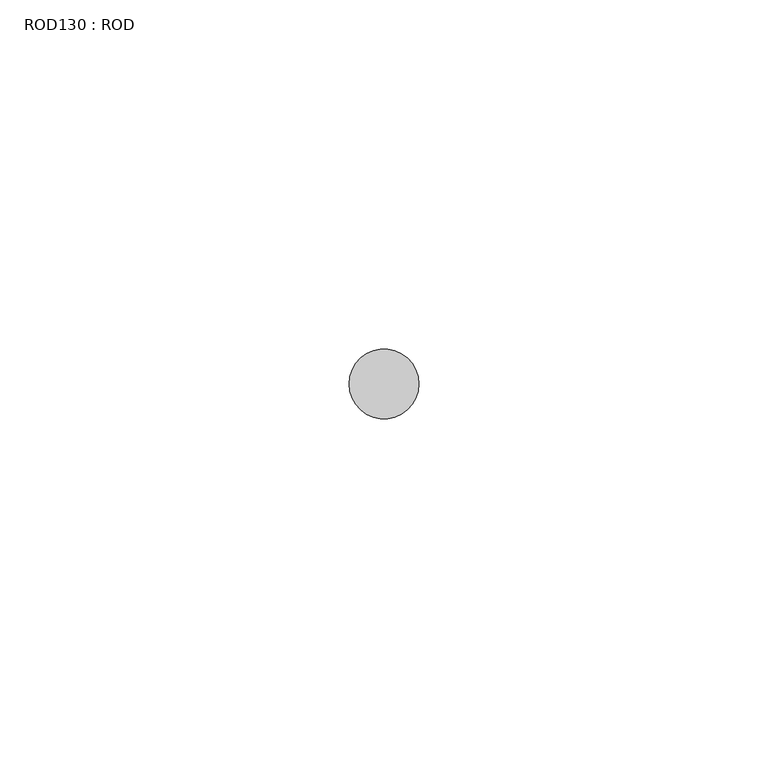
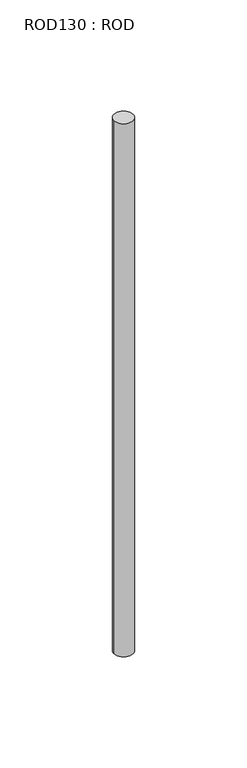
"""IFC4 building model written with IfcOpenShell, lengths in millimetres: proxy geometry, ROD130 : ROD."""

import ifcopenshell
import ifcopenshell.guid

model = None  # the IFC model being written
_history = None  # IfcOwnerHistory: only IFC2X3 demands one
_inside = {}  # id of a spatial element -> (the spatial element, [elements in it])
_under = {}  # id of a project, library or spatial element -> (it, [spatial elements below it])
_declared = {}  # id of a project -> (the project, [libraries it declares])
_typed = {}  # id of a type object -> (the type object, [elements of that type])
_made_of = {}  # id of a material, layer set ... -> (it, [elements and type objects made of it])


def new_model(schema):
    """Start an empty IFC model of exactly this schema.

    Asked for "IFC4X3", IfcOpenShell would pick the latest addendum, in which some entities
    have other attributes; the version numbers below select the first issue.
    IFC2X3 requires an IfcOwnerHistory on every rooted entity: one is made here for all.
    """
    global model, _history
    if schema == "IFC4X3":
        model = ifcopenshell.file(schema_version=(4, 3, 0, 0))
    else:
        model = ifcopenshell.file(schema=schema)
    _inside.clear()
    _under.clear()
    _declared.clear()
    _typed.clear()
    _made_of.clear()
    _history = None
    if model.schema == "IFC2X3":
        org = make("IfcOrganization", Name="unknown")
        user = make(
            "IfcPersonAndOrganization",
            ThePerson=make("IfcPerson", FamilyName="unknown"),
            TheOrganization=org,
        )
        app = make(
            "IfcApplication",
            ApplicationDeveloper=org,
            Version="unknown",
            ApplicationFullName="unknown",
            ApplicationIdentifier="unknown",
        )
        _history = make(
            "IfcOwnerHistory",
            OwningUser=user,
            OwningApplication=app,
            ChangeAction="ADDED",
            CreationDate=0,
        )
    return model


def make(cls, **values):
    """One entity of the class cls with the attributes given. An attribute that is None is left unset."""
    return model.create_entity(
        cls, **{name: value for name, value in values.items() if value is not None}
    )


def rooted(cls, **values):
    """An entity with a GlobalId (a new one), such as an element, a storey or a relation."""
    return make(cls, GlobalId=ifcopenshell.guid.new(), OwnerHistory=_history, **values)


def si_unit(unit_type, name, prefix=None):
    """IfcSIUnit, for example si_unit("LENGTHUNIT", "METRE", prefix="MILLI")."""
    return make("IfcSIUnit", UnitType=unit_type, Prefix=prefix, Name=name)


def assignment(units):
    """IfcUnitAssignment: the units of a project."""
    return None if units is None else make("IfcUnitAssignment", Units=units)


def point(xyz):
    """IfcCartesianPoint."""
    return None if xyz is None else make("IfcCartesianPoint", Coordinates=xyz)


def direction(xyz):
    """IfcDirection."""
    return None if xyz is None else make("IfcDirection", DirectionRatios=xyz)


def frame(location, z_axis=None, x_axis=None):
    """IfcAxis2Placement3D, a coordinate frame: its origin and axes. An axis left out is left unset."""
    return make(
        "IfcAxis2Placement3D",
        Location=point(location),
        Axis=direction(z_axis),
        RefDirection=direction(x_axis),
    )


def frame_2d(location, x_axis=None):
    """IfcAxis2Placement2D, a coordinate frame in the plane: its origin and x axis."""
    return make(
        "IfcAxis2Placement2D", Location=point(location), RefDirection=direction(x_axis)
    )


def origin():
    """The frame at (0, 0, 0) with its axes left unset."""
    return frame((0.0, 0.0, 0.0))


def place(relative_to, where):
    """IfcLocalPlacement: puts the frame where relative to a parent placement (None: the world)."""
    return make(
        "IfcLocalPlacement", PlacementRelTo=relative_to, RelativePlacement=where
    )


def context(
    kind, dimensions, precision=None, world=None, true_north=None, identifier=None
):
    """IfcGeometricRepresentationContext, for example the 3D "Model" context."""
    return make(
        "IfcGeometricRepresentationContext",
        ContextIdentifier=identifier,
        ContextType=kind,
        CoordinateSpaceDimension=dimensions,
        Precision=precision,
        WorldCoordinateSystem=world,
        TrueNorth=true_north,
    )


def project(units=None, contexts=None):
    """IfcProject with its units and contexts."""
    return rooted(
        "IfcProject",
        Name="project",
        RepresentationContexts=contexts,
        UnitsInContext=assignment(units),
    )


def spatial(cls, under=None, at=None, **own):
    """A site, building, storey or space (cls), placed at a placement, below another one or the project."""
    s = rooted(cls, ObjectPlacement=at, **own)
    if under is not None:
        _under.setdefault(under.id(), (under, []))[1].append(s)
    return s


def circle_curve(where, radius):
    """IfcCircle in the frame where."""
    return make("IfcCircle", Position=where, Radius=radius)


def trimmed(basis, trim1, trim2, sense, master):
    """IfcTrimmedCurve: the piece of a basis curve between two trims."""
    return make(
        "IfcTrimmedCurve",
        BasisCurve=basis,
        Trim1=trim1,
        Trim2=trim2,
        SenseAgreement=sense,
        MasterRepresentation=master,
    )


def segment(curve, same_sense, transition):
    """IfcCompositeCurveSegment."""
    return make(
        "IfcCompositeCurveSegment",
        Transition=transition,
        SameSense=same_sense,
        ParentCurve=curve,
    )


def composite_curve(segments, self_intersect=None):
    """IfcCompositeCurve: segments joined end to end."""
    return make("IfcCompositeCurve", Segments=segments, SelfIntersect=self_intersect)


def outline(outer, holes=None, kind="AREA"):
    """IfcArbitraryClosedProfileDef: a profile drawn as a closed curve; with holes, ...WithVoids."""
    if holes is None:
        return make("IfcArbitraryClosedProfileDef", ProfileType=kind, OuterCurve=outer)
    return make(
        "IfcArbitraryProfileDefWithVoids",
        ProfileType=kind,
        OuterCurve=outer,
        InnerCurves=holes,
    )


def extrude(swept, where, along, depth):
    """IfcExtrudedAreaSolid: the profile swept, set in the frame where, extruded along a direction by depth."""
    return make(
        "IfcExtrudedAreaSolid",
        SweptArea=swept,
        Position=where,
        ExtrudedDirection=direction(along),
        Depth=depth,
    )


def shape(context_of_items, identifier, shape_type, items):
    """IfcShapeRepresentation: the items that make up one representation, for example the "Body"."""
    return make(
        "IfcShapeRepresentation",
        ContextOfItems=context_of_items,
        RepresentationIdentifier=identifier,
        RepresentationType=shape_type,
        Items=items,
    )


def source(mapping_origin, context_of_items, identifier, shape_type, items):
    """IfcRepresentationMap: a shape defined once, which mapped items show again and again."""
    return make(
        "IfcRepresentationMap",
        MappingOrigin=mapping_origin,
        MappedRepresentation=shape(context_of_items, identifier, shape_type, items),
    )


def transform(
    local_origin,
    x_axis=None,
    y_axis=None,
    z_axis=None,
    scale=None,
    scale2=None,
    scale3=None,
    uniform=True,
):
    """IfcCartesianTransformationOperator3D, or its non-uniform kind. x_axis, y_axis, z_axis: its Axis1, 2, 3."""
    if uniform:
        return make(
            "IfcCartesianTransformationOperator3D",
            Axis1=direction(x_axis),
            Axis2=direction(y_axis),
            LocalOrigin=point(local_origin),
            Scale=scale,
            Axis3=direction(z_axis),
        )
    return make(
        "IfcCartesianTransformationOperator3DnonUniform",
        Axis1=direction(x_axis),
        Axis2=direction(y_axis),
        LocalOrigin=point(local_origin),
        Scale=scale,
        Axis3=direction(z_axis),
        Scale2=scale2,
        Scale3=scale3,
    )


def mapped(mapping_source, mapping_target):
    """IfcMappedItem: shows the shape of a source again, moved by a transform."""
    return make(
        "IfcMappedItem", MappingSource=mapping_source, MappingTarget=mapping_target
    )


def made_of(thing, what):
    """Note that an element or type object is made of a material, layer set ...; save() writes the relation."""
    if what is not None:
        _made_of.setdefault(what.id(), (what, []))[1].append(thing)
    return thing


def element(
    cls,
    number,
    at=None,
    inside=None,
    cuts=None,
    type_object=None,
    material=None,
    context=None,
    identifier="Body",
    shape_type=None,
    held_by="IfcProductDefinitionShape",
    body=None,
    shapes=None,
    **own,
):
    """One element of the class cls, such as IfcWall. Its Tag is "e" and its number.

    at: its placement. inside: the storey or other place that contains it. cuts: it is an
    opening in that element (IfcRelVoidsElement). A single representation is given by context,
    identifier, shape_type and body (its items); several are given by shapes. held_by: the class
    of the entity that holds the representations. save() writes the other relations.
    """
    e = rooted(cls, Tag="e%d" % number, ObjectPlacement=at, **own)
    if body is not None:
        shapes = [shape(context, identifier, shape_type, body)]
    if shapes is not None:
        e.Representation = make(held_by, Representations=shapes)
    if inside is not None:
        _inside.setdefault(inside.id(), (inside, []))[1].append(e)
    if cuts is not None:
        rooted(
            "IfcRelVoidsElement", RelatingBuildingElement=cuts, RelatedOpeningElement=e
        )
    if type_object is not None:
        _typed.setdefault(type_object.id(), (type_object, []))[1].append(e)
    return made_of(e, material)


def aggregate(whole, parts):
    """IfcRelAggregates: a whole, such as a stair, and the parts it consists of."""
    return rooted("IfcRelAggregates", RelatingObject=whole, RelatedObjects=parts)


def save(model, path):
    """Write the relations noted so far, then the file.

    IfcRelAggregates (storeys below a building ...), IfcRelContainedInSpatialStructure (elements
    in a storey), IfcRelDefinesByType, IfcRelAssociatesMaterial and IfcRelDeclares: one each for
    every whole, place, type object, material and project.
    """
    for whole, parts in _under.values():
        aggregate(whole, parts)
    for where, things in _inside.values():
        rooted(
            "IfcRelContainedInSpatialStructure",
            RelatedElements=things,
            RelatingStructure=where,
        )
    for kind, things in _typed.values():
        rooted("IfcRelDefinesByType", RelatedObjects=things, RelatingType=kind)
    for what, things in _made_of.values():
        rooted("IfcRelAssociatesMaterial", RelatedObjects=things, RelatingMaterial=what)
    for by, libraries in _declared.values():
        rooted("IfcRelDeclares", RelatingContext=by, RelatedDefinitions=libraries)
    model.write(path)


def rod130_rod_9bf28f6b(model_context):
    return source(origin(), model_context, "Body", "SweptSolid", [
        extrude(outline(composite_curve([segment(trimmed(circle_curve(frame_2d((3079.7673324, -12414.6300853)), 5.0), [point((3074.7673324, -12414.6300853))], [point((3084.7673324, -12414.6300853))], False, "CARTESIAN"), True, "CONTINUOUS"), segment(trimmed(circle_curve(frame_2d((3079.7673324, -12414.6300853)), 5.0), [point((3084.7673324, -12414.6300853))], [point((3074.7673324, -12414.6300853))], False, "CARTESIAN"), True, "CONTINUOUS")], self_intersect=False)), frame((0.0, 0.0, -208.6608845), z_axis=(0.0, 0.0, 1.0), x_axis=(1.0, 0.0, 0.0)), (0.0, 0.0, 1.0), 298.9028972),
    ])


if __name__ == "__main__":
    model = new_model("IFC4")
    model_context = context("Model", 3, world=origin())
    ifc_project = project(units=[si_unit("LENGTHUNIT", "METRE", prefix="MILLI")], contexts=[model_context])
    site = spatial("IfcSite", under=ifc_project)
    building = spatial("IfcBuilding", under=site)
    placement = place(None, origin())
    rod130_rod_shape = rod130_rod_9bf28f6b(model_context)
    element("IfcBuildingElementProxy", 1, Name="ROD130 : ROD", ObjectType="ROD130 : ROD", at=placement, inside=building, context=model_context, shape_type="MappedRepresentation", body=[
        mapped(rod130_rod_shape, transform((0.0, 0.0, 0.0), x_axis=(1.0, 0.0, 0.0), y_axis=(0.0, 1.0, 0.0), z_axis=(0.0, 0.0, 1.0))),
    ])
    save(model, "model.ifc")
